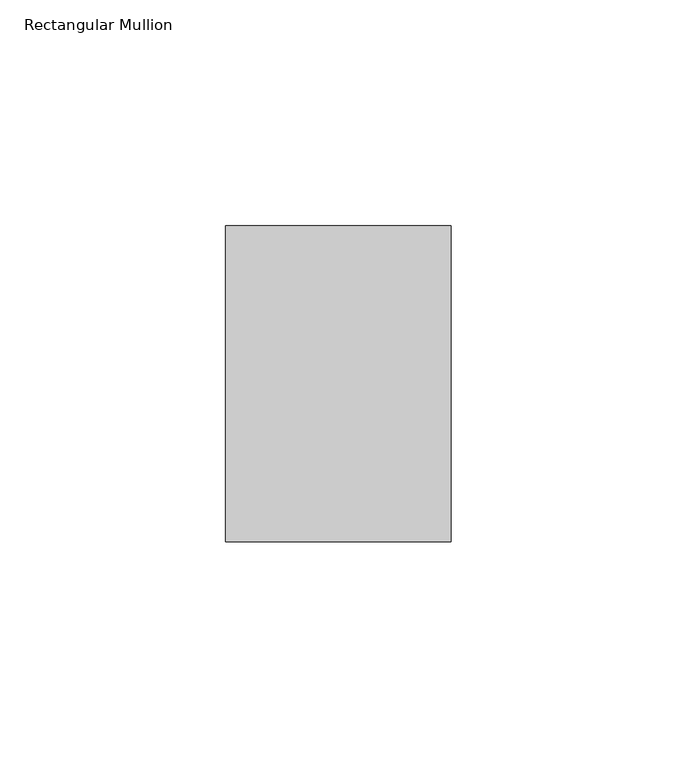
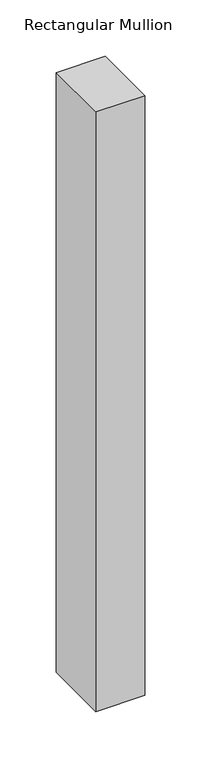
"""IFC4 building model written with IfcOpenShell, lengths in millimetres: member geometry, Rectangular Mullion."""

from ifc_helpers import new_model, si_unit, frame, origin, place, context, project, spatial, polyline, outline, extrude, source, transform, mapped, element, save


def rectangular_mullion_5e811157(model_context):
    return source(origin(), model_context, "Body", "SweptSolid", [
        extrude(outline(polyline([(25.0, 35.0), (25.0, -35.0), (-25.0, -35.0), (-25.0, 35.0), (25.0, 35.0)])), frame((0.0, 0.0, -649.8905058), z_axis=(0.0, 0.0, 1.0), x_axis=(1.0, 0.0, 0.0)), (0.0, 0.0, 1.0), 649.8905058),
    ])


if __name__ == "__main__":
    model = new_model("IFC4")
    model_context = context("Model", 3, world=origin())
    ifc_project = project(units=[si_unit("LENGTHUNIT", "METRE", prefix="MILLI")], contexts=[model_context])
    site = spatial("IfcSite", under=ifc_project)
    building = spatial("IfcBuilding", under=site)
    placement = place(None, origin())
    rectangular_mullion_shape = rectangular_mullion_5e811157(model_context)
    element("IfcMember", 1, ObjectType="Rectangular Mullion", at=placement, inside=building, context=model_context, shape_type="MappedRepresentation", body=[
        mapped(rectangular_mullion_shape, transform((0.0, 0.0, 0.0), x_axis=(1.0, 0.0, 0.0), y_axis=(0.0, 1.0, 0.0), z_axis=(0.0, 0.0, 1.0))),
    ])
    save(model, "model.ifc")
